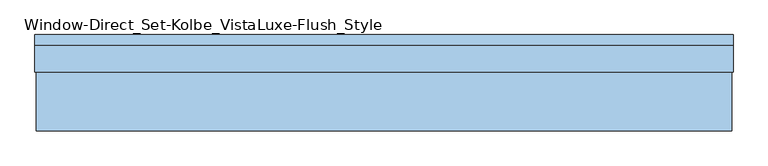
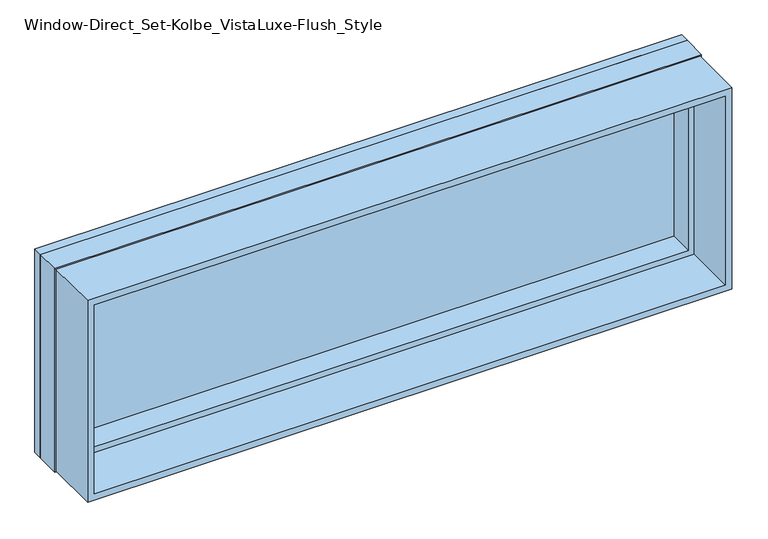
"""IFC4 building model written with IfcOpenShell, lengths in millimetres: window geometry, Window-Direct_Set-Kolbe_VistaLuxe-Flush_Style."""

from ifc_helpers import new_model, si_unit, frame, origin, place, context, project, spatial, polyline, outline, extrude, faceted_brep, source, transform, mapped, element, save


def window_direct_set_kolbe_vistaluxe_flush_style_6af4e43b(model_context):
    return source(origin(), model_context, "Body", "SolidModel", [
        extrude(outline(polyline([(1520.825, -917.4003758), (917.575, -917.4003758), (917.575, 905.0496242), (1520.825, 905.0496242), (1520.825, -917.4003758)]), holes=[polyline([(936.625, -898.3503758), (1501.775, -898.3503758), (1501.775, 885.9996242), (936.625, 885.9996242), (936.625, -898.3503758)])]), frame((0.0, -112.7125, 0.0), z_axis=(0.0, 1.0, 0.0), x_axis=(0.0, 0.0, 1.0)), (0.0, 0.0, 1.0), 154.7622),
        extrude(outline(polyline([(936.625, -898.3503758), (936.625, 885.9996242), (1501.775, 885.9996242), (1501.775, -898.3503758), (936.625, -898.3503758)]), holes=[polyline([(954.0875, 868.5371242), (954.0875, -880.8878758), (1484.3125, -880.8878758), (1484.3125, 868.5371242), (954.0875, 868.5371242)])]), frame((0.0, 38.85565, 0.0), z_axis=(0.0, 1.0, 0.0), x_axis=(0.0, 0.0, 1.0)), (0.0, 0.0, 1.0), 69.8246),
        faceted_brep([(908.2246242, 139.6365, 1524.0), (-920.5753758, 139.6365, 1524.0), (-920.5753758, 112.7125, 1524.0), (908.2246242, 112.7125, 1524.0), (868.5373659, 130.90525, 1484.3127418), (-880.8881176, 130.90525, 1484.3127418), (-880.8881176, 139.6365, 1484.3127418), (868.5373659, 139.6365, 1484.3127418), (885.9996242, 112.7125, 1501.775), (-898.3503758, 112.7125, 1501.775), (-898.3503758, 130.90525, 1501.775), (885.9996242, 130.90525, 1501.775), (-920.5753758, 139.6365, 914.4), (-920.5753758, 112.7125, 914.4), (-880.8881176, 130.90525, 954.0872582), (-880.8881176, 139.6365, 954.0872582), (-898.3503758, 112.7125, 936.625), (-898.3503758, 130.90525, 936.625), (908.2246242, 139.6365, 914.4), (908.2246242, 112.7125, 914.4), (868.5373659, 130.90525, 954.0872582), (868.5373659, 139.6365, 954.0872582), (885.9996242, 112.7125, 936.625), (885.9996242, 130.90525, 936.625)], [[[0, 1, 2, 3]], [[4, 5, 6, 7]], [[8, 9, 10, 11]], [[1, 12, 13, 2]], [[5, 14, 15, 6]], [[9, 16, 17, 10]], [[12, 18, 19, 13]], [[14, 20, 21, 15]], [[16, 22, 23, 17]], [[18, 0, 3, 19]], [[1, 0, 18, 12], [7, 6, 15, 21]], [[20, 4, 7, 21]], [[11, 10, 17, 23], [5, 4, 20, 14]], [[22, 8, 11, 23]], [[3, 2, 13, 19], [9, 8, 22, 16]]]),
        extrude(outline(polyline([(914.4, -920.5753758), (914.4, 908.2246242), (1524.0, 908.2246242), (1524.0, -920.5753758), (914.4, -920.5753758)]), holes=[polyline([(936.625, 885.9996242), (936.625, -898.3503758), (1501.775, -898.3503758), (1501.775, 885.9996242), (936.625, 885.9996242)])]), frame((0.0, 42.0497, 0.0), z_axis=(0.0, 1.0, 0.0), x_axis=(0.0, 0.0, 1.0)), (0.0, 0.0, 1.0), 70.6628),
        extrude(outline(polyline([(883.6183742, 111.85525), (883.6183742, 108.68025), (-895.9691258, 108.68025), (-895.9691258, 111.85525), (883.6183742, 111.85525)])), frame((0.0, 0.0, 946.15), z_axis=(0.0, 0.0, 1.0), x_axis=(1.0, 0.0, 0.0)), (0.0, 0.0, 1.0), 546.1),
        extrude(outline(polyline([(883.6183742, 127.73025), (-895.9691258, 127.73025), (-895.9691258, 130.90525), (883.6183742, 130.90525), (883.6183742, 127.73025)])), frame((0.0, 0.0, 946.15), z_axis=(0.0, 0.0, 1.0), x_axis=(1.0, 0.0, 0.0)), (0.0, 0.0, 1.0), 546.1),
    ])


if __name__ == "__main__":
    model = new_model("IFC4")
    model_context = context("Model", 3, world=origin())
    ifc_project = project(units=[si_unit("LENGTHUNIT", "METRE", prefix="MILLI")], contexts=[model_context])
    site = spatial("IfcSite", under=ifc_project)
    building = spatial("IfcBuilding", under=site)
    placement = place(None, origin())
    window_direct_set_kolbe_vistaluxe_flush_style_shape = window_direct_set_kolbe_vistaluxe_flush_style_6af4e43b(model_context)
    element("IfcWindow", 1, ObjectType="Window-Direct_Set-Kolbe_VistaLuxe-Flush_Style", at=placement, inside=building, context=model_context, shape_type="MappedRepresentation", body=[
        mapped(window_direct_set_kolbe_vistaluxe_flush_style_shape, transform((0.0, 0.0, 0.0), x_axis=(1.0, 0.0, 0.0), y_axis=(0.0, 1.0, 0.0), z_axis=(0.0, 0.0, 1.0))),
    ])
    save(model, "model.ifc")
